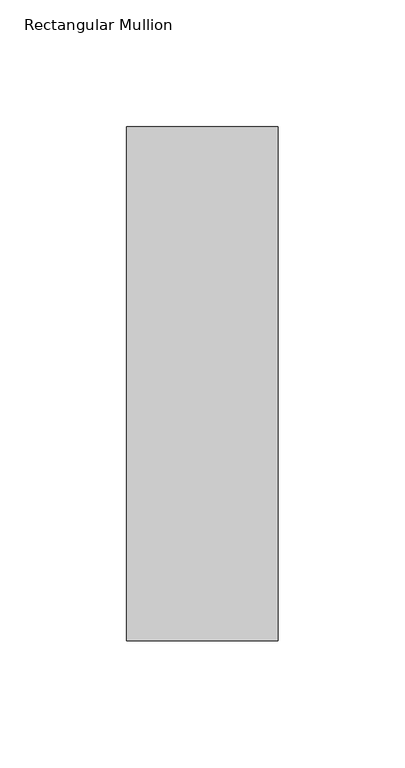
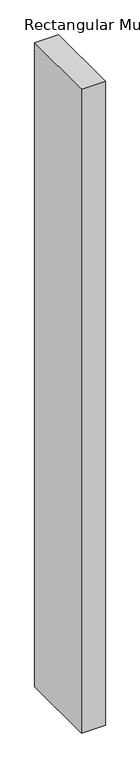
"""IFC4 building model written with IfcOpenShell, lengths in millimetres: member geometry, Rectangular Mullion."""

from ifc_helpers import new_model, si_unit, frame, origin, place, context, project, spatial, polyline, outline, extrude, source, transform, mapped, element, save


def rectangular_mullion_e3644e3d(model_context):
    return source(origin(), model_context, "Body", "SweptSolid", [
        extrude(outline(polyline([(30.0, 157.05), (30.0, -46.05), (-30.0, -46.05), (-30.0, 157.05), (30.0, 157.05)])), frame((0.0, 0.0, -1708.8912252), z_axis=(0.0, 0.0, 1.0), x_axis=(1.0, 0.0, 0.0)), (0.0, 0.0, 1.0), 1708.8912252),
    ])


if __name__ == "__main__":
    model = new_model("IFC4")
    model_context = context("Model", 3, world=origin())
    ifc_project = project(units=[si_unit("LENGTHUNIT", "METRE", prefix="MILLI")], contexts=[model_context])
    site = spatial("IfcSite", under=ifc_project)
    building = spatial("IfcBuilding", under=site)
    placement = place(None, origin())
    rectangular_mullion_shape = rectangular_mullion_e3644e3d(model_context)
    element("IfcMember", 1, ObjectType="Rectangular Mullion", at=placement, inside=building, context=model_context, shape_type="MappedRepresentation", body=[
        mapped(rectangular_mullion_shape, transform((0.0, 0.0, 0.0), x_axis=(1.0, 0.0, 0.0), y_axis=(0.0, 1.0, 0.0), z_axis=(0.0, 0.0, 1.0))),
    ])
    save(model, "model.ifc")
